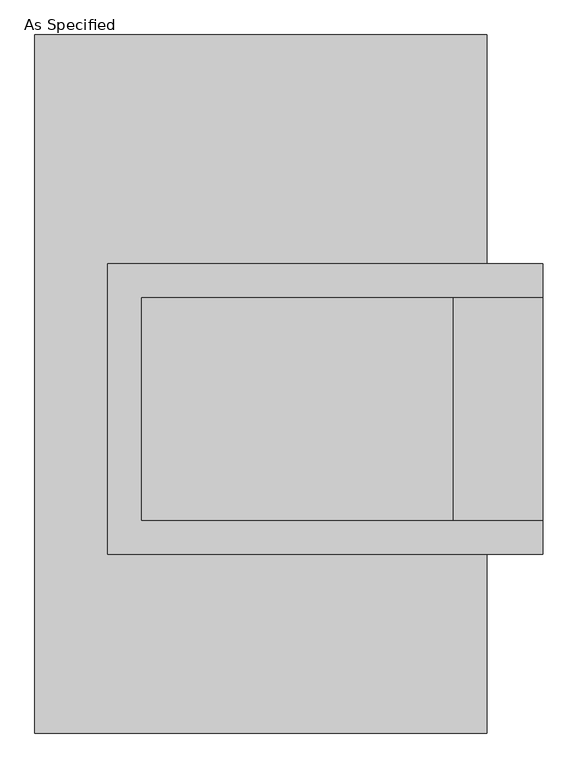
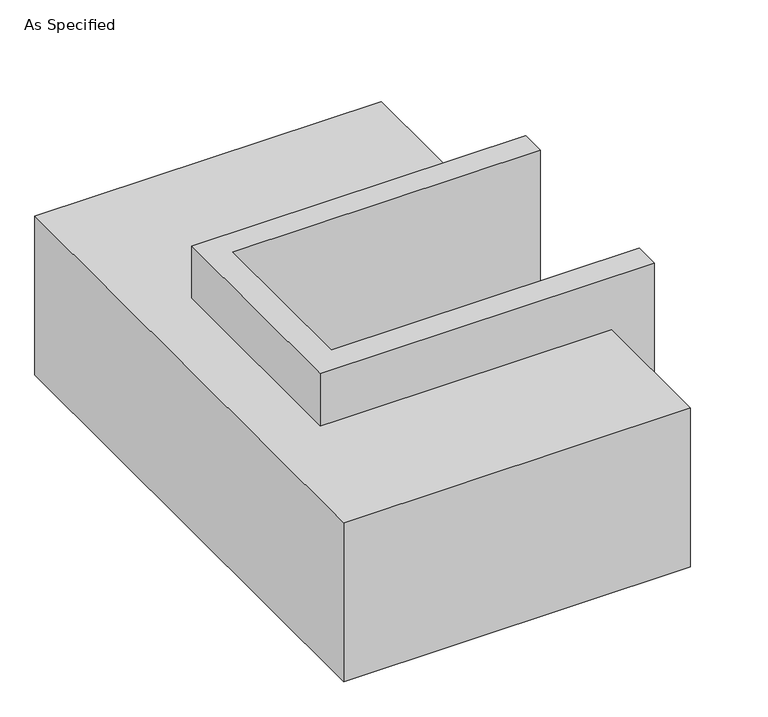
"""IFC4 building model written with IfcOpenShell, lengths in millimetres: proxy geometry, As Specified."""

from ifc_helpers import new_model, si_unit, origin, place, context, project, spatial, faceted_brep, source, transform, mapped, element, save


def as_specified_086f37a3(model_context):
    return source(origin(), model_context, "Body", "Brep", [
        faceted_brep([(-349.25, 273.05, 139.7), (-349.25, 273.05, -393.7), (-349.25, 196.85, -393.7), (-349.25, 196.85, -25.4), (-349.25, -311.15, -25.4), (-349.25, -311.15, -393.7), (-349.25, -387.35, -393.7), (-349.25, -387.35, 139.7), (641.35, 196.85, 139.7), (641.35, 196.85, -317.5), (641.35, -311.15, -317.5), (641.35, -311.15, 139.7), (641.35, -387.35, 139.7), (641.35, -387.35, -393.7), (641.35, 273.05, -393.7), (641.35, 273.05, 139.7), (-273.05, -311.15, 139.7), (-273.05, 196.85, 139.7), (438.15, -311.15, -393.7), (438.15, 196.85, -393.7), (438.15, -311.15, -317.5), (-273.05, -311.15, -25.4), (438.15, 196.85, -317.5), (-273.05, 196.85, -25.4)], [[[0, 1, 2, 3, 4, 5, 6, 7]], [[8, 9, 10, 11, 12, 13, 14, 15]], [[0, 7, 12, 11, 16, 17, 8, 15]], [[1, 0, 15, 14]], [[14, 13, 6, 5, 18, 19, 2, 1]], [[7, 6, 13, 12]], [[11, 10, 20, 18, 5, 4, 21, 16]], [[10, 9, 22, 20]], [[9, 8, 17, 23, 3, 2, 19, 22]], [[18, 20, 22, 19]], [[23, 21, 4, 3]], [[17, 16, 21, 23]]]),
        faceted_brep([(-514.35, 793.75, -523.9742188), (514.35, 793.75, -523.9742188), (514.35, -793.75, -523.9742188), (-514.35, -793.75, -523.9742188), (514.35, 793.75, -25.4), (-514.35, 793.75, -25.4), (-514.35, -793.75, -25.4), (514.35, -793.75, -25.4), (514.35, -387.35, -25.4), (-349.25, -387.35, -25.4), (-349.25, 273.05, -25.4), (514.35, 273.05, -25.4), (514.35, 273.05, -393.7), (514.35, -387.35, -393.7), (-349.25, -387.35, -393.7), (-349.25, 273.05, -393.7)], [[[0, 1, 2, 3]], [[4, 5, 6, 7, 8, 9, 10, 11]], [[1, 0, 5, 4]], [[5, 0, 3, 6]], [[1, 4, 11, 12, 13, 8, 7, 2]], [[3, 2, 7, 6]], [[14, 15, 10, 9]], [[10, 15, 12, 11]], [[15, 14, 13, 12]], [[14, 9, 8, 13]]]),
    ])


if __name__ == "__main__":
    model = new_model("IFC4")
    model_context = context("Model", 3, world=origin())
    ifc_project = project(units=[si_unit("LENGTHUNIT", "METRE", prefix="MILLI")], contexts=[model_context])
    site = spatial("IfcSite", under=ifc_project)
    building = spatial("IfcBuilding", under=site)
    placement = place(None, origin())
    as_specified_shape = as_specified_086f37a3(model_context)
    element("IfcBuildingElementProxy", 1, Name="As Specified", ObjectType="As Specified", at=placement, inside=building, context=model_context, shape_type="MappedRepresentation", body=[
        mapped(as_specified_shape, transform((0.0, 0.0, 0.0), x_axis=(1.0, 0.0, 0.0), y_axis=(0.0, 1.0, 0.0), z_axis=(0.0, 0.0, 1.0))),
    ])
    save(model, "model.ifc")
